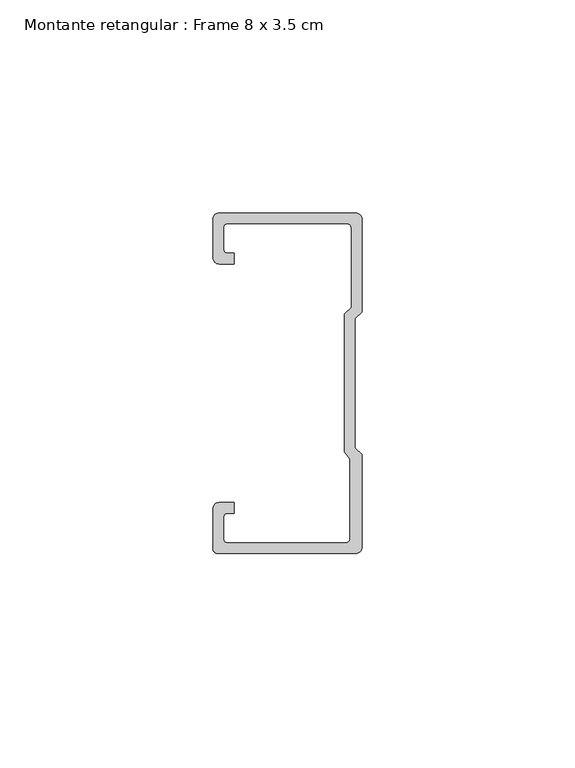
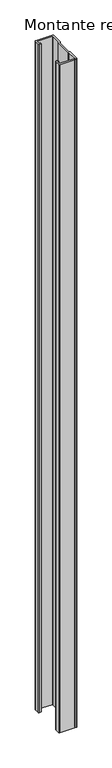
"""IFC4 building model written with IfcOpenShell, lengths in millimetres: member geometry, Montante retangular : Frame 8 x 3.5 cm."""

from ifc_helpers import new_model, si_unit, point, frame, frame_2d, origin, place, context, project, spatial, polyline, circle_curve, trimmed, segment, composite_curve, outline, extrude, source, transform, mapped, element, save


def montante_retangular_frame_8_x_3_5_cm_9d0edcb3(model_context):
    return source(origin(), model_context, "Body", "SweptSolid", [
        extrude(outline(composite_curve([segment(polyline([(-35.0, 29.5276505), (-35.0, 38.5)]), True, "CONTINUOUS"), segment(trimmed(circle_curve(frame_2d((-33.5, 38.5)), 1.5), [point((-35.0, 38.5))], [point((-33.5, 40.0))], False, "CARTESIAN"), True, "CONTINUOUS"), segment(polyline([(-33.5, 40.0), (-1.5, 40.0)]), True, "CONTINUOUS"), segment(trimmed(circle_curve(frame_2d((-1.5, 38.5)), 1.5), [point((-1.5, 40.0))], [point((0.0, 38.5))], False, "CARTESIAN"), True, "CONTINUOUS"), segment(polyline([(0.0, 38.5), (0.0, 16.7622662), (-1.5877131, 15.174553), (-1.5877131, -15.174553), (0.0, -16.7622662), (0.0, -38.5)]), True, "CONTINUOUS"), segment(trimmed(circle_curve(frame_2d((-1.5, -38.5)), 1.5), [point((0.0, -38.5))], [point((-1.5, -40.0))], False, "CARTESIAN"), True, "CONTINUOUS"), segment(polyline([(-1.5, -40.0), (-33.8171833, -40.0)]), True, "CONTINUOUS"), segment(trimmed(circle_curve(frame_2d((-33.8171833, -38.8171833)), 1.1828167), [point((-33.8171833, -40.0))], [point((-35.0, -38.8171833))], False, "CARTESIAN"), True, "CONTINUOUS"), segment(polyline([(-35.0, -38.8171833), (-35.0, -29.5276505)]), True, "CONTINUOUS"), segment(trimmed(circle_curve(frame_2d((-33.5, -29.5276505)), 1.5), [point((-35.0, -29.5276505))], [point((-33.5, -28.0276505))], False, "CARTESIAN"), True, "CONTINUOUS"), segment(polyline([(-33.5, -28.0276505), (-30.0162256, -28.0276505), (-30.0162256, -30.5276505), (-31.5, -30.5276505)]), True, "CONTINUOUS"), segment(trimmed(circle_curve(frame_2d((-31.5, -31.5276505)), 1.0), [point((-31.5, -30.5276505))], [point((-32.5, -31.5276505))], True, "CARTESIAN"), True, "CONTINUOUS"), segment(polyline([(-32.5, -31.5276505), (-32.5, -36.5)]), True, "CONTINUOUS"), segment(trimmed(circle_curve(frame_2d((-31.5, -36.5)), 1.0), [point((-32.5, -36.5))], [point((-31.5, -37.5))], True, "CARTESIAN"), True, "CONTINUOUS"), segment(polyline([(-31.5, -37.5), (-3.807214, -37.5)]), True, "CONTINUOUS"), segment(trimmed(circle_curve(frame_2d((-3.807214, -36.5)), 1.0), [point((-3.807214, -37.5))], [point((-2.807214, -36.5))], True, "CARTESIAN"), True, "CONTINUOUS"), segment(polyline([(-2.807214, -36.5), (-2.807214, -17.7671948), (-4.0877131, -16.1794816), (-4.0877131, 16.2100869), (-2.5, 17.7978001), (-2.5, 36.5)]), True, "CONTINUOUS"), segment(trimmed(circle_curve(frame_2d((-3.5, 36.5)), 1.0), [point((-2.5, 36.5))], [point((-3.5, 37.5))], True, "CARTESIAN"), True, "CONTINUOUS"), segment(polyline([(-3.5, 37.5), (-31.5, 37.5)]), True, "CONTINUOUS"), segment(trimmed(circle_curve(frame_2d((-31.5, 36.5)), 1.0), [point((-31.5, 37.5))], [point((-32.5, 36.5))], True, "CARTESIAN"), True, "CONTINUOUS"), segment(polyline([(-32.5, 36.5), (-32.5, 31.5276505)]), True, "CONTINUOUS"), segment(trimmed(circle_curve(frame_2d((-31.5, 31.5276505)), 1.0), [point((-32.5, 31.5276505))], [point((-31.5, 30.5276505))], True, "CARTESIAN"), True, "CONTINUOUS"), segment(polyline([(-31.5, 30.5276505), (-30.0162256, 30.5276505), (-30.0162256, 28.0276505), (-33.5, 28.0276505)]), True, "CONTINUOUS"), segment(trimmed(circle_curve(frame_2d((-33.5, 29.5276505)), 1.5), [point((-33.5, 28.0276505))], [point((-35.0, 29.5276505))], False, "CARTESIAN"), True, "CONTINUOUS")], self_intersect=False)), frame((0.0, 0.0, -1360.0), z_axis=(0.0, 0.0, 1.0), x_axis=(1.0, 0.0, 0.0)), (0.0, 0.0, 1.0), 1360.0),
    ])


if __name__ == "__main__":
    model = new_model("IFC4")
    model_context = context("Model", 3, world=origin())
    ifc_project = project(units=[si_unit("LENGTHUNIT", "METRE", prefix="MILLI")], contexts=[model_context])
    site = spatial("IfcSite", under=ifc_project)
    building = spatial("IfcBuilding", under=site)
    placement = place(None, origin())
    montante_retangular_frame_8_x_3_5_cm_shape = montante_retangular_frame_8_x_3_5_cm_9d0edcb3(model_context)
    element("IfcMember", 1, ObjectType="Montante retangular : Frame 8 x 3.5 cm", at=placement, inside=building, context=model_context, shape_type="MappedRepresentation", body=[
        mapped(montante_retangular_frame_8_x_3_5_cm_shape, transform((0.0, 0.0, 0.0), x_axis=(1.0, 0.0, 0.0), y_axis=(0.0, 1.0, 0.0), z_axis=(0.0, 0.0, 1.0))),
    ])
    save(model, "model.ifc")
